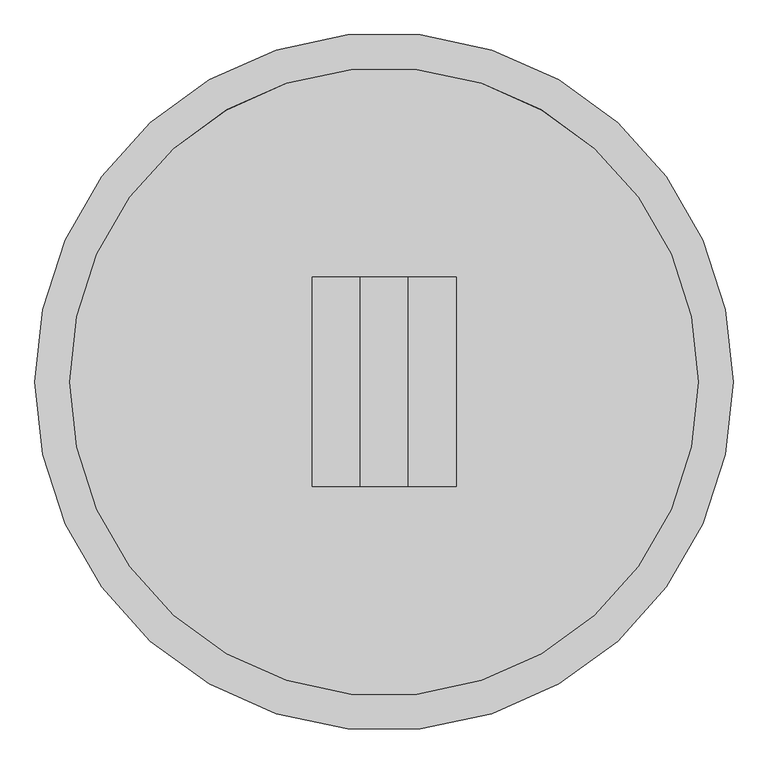
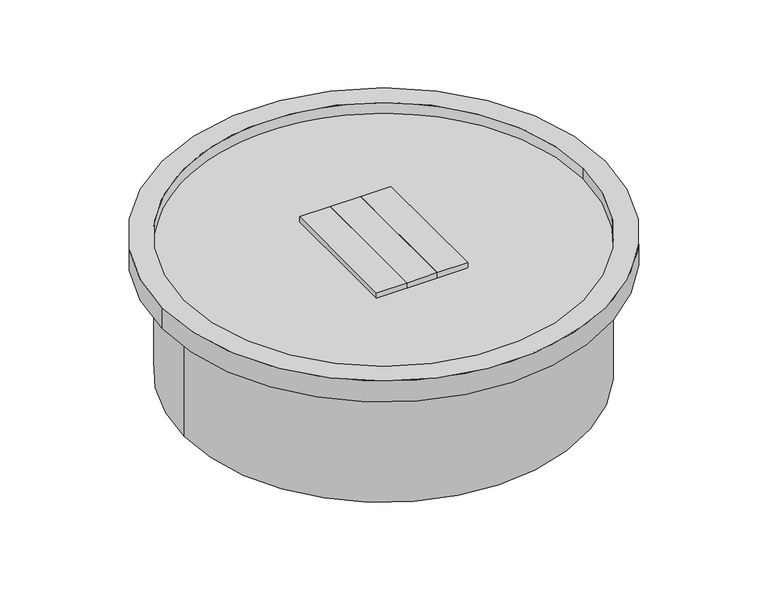
"""IFC4 building model written with IfcOpenShell, lengths in millimetres: proxy geometry."""

from ifc_helpers import new_model, si_unit, point, frame, origin, origin_with_axes, origin_2d, place, context, project, spatial, polyline, circle_curve, trimmed, segment, composite_curve, outline, extrude, source, transform, mapped, element, save


def generic_models_e924cb64(model_context):
    return source(origin(), model_context, "Body", "SweptSolid", [
        extrude(outline(polyline([(34.925, -152.4), (34.925, 152.4), (104.775, 152.4), (104.775, -152.4), (34.925, -152.4)])), frame((0.0, 0.0, 279.4), z_axis=(0.0, 0.0, 1.0), x_axis=(1.0, 0.0, 0.0)), (0.0, 0.0, 1.0), 38.1),
        extrude(outline(polyline([(-34.925, -152.4), (-104.775, -152.4), (-104.775, 152.4), (-34.925, 152.4), (-34.925, -152.4)])), frame((0.0, 0.0, 279.4), z_axis=(0.0, 0.0, 1.0), x_axis=(1.0, 0.0, 0.0)), (0.0, 0.0, 1.0), 38.1),
        extrude(outline(polyline([(-34.925, -152.4), (-34.925, 152.4), (34.925, 152.4), (34.925, -152.4), (-34.925, -152.4)])), frame((0.0, 0.0, 279.4), z_axis=(0.0, 0.0, 1.0), x_axis=(1.0, 0.0, 0.0)), (0.0, 0.0, 1.0), 38.1),
        extrude(outline(composite_curve([segment(trimmed(circle_curve(origin_2d(), 457.2), [point((-457.2, 0.0))], [point((457.2, 0.0))], False, "CARTESIAN"), True, "CONTINUOUS"), segment(trimmed(circle_curve(origin_2d(), 457.2), [point((457.2, 0.0))], [point((-457.2, 0.0))], False, "CARTESIAN"), True, "CONTINUOUS")], self_intersect=False)), frame((0.0, 0.0, 279.4), z_axis=(0.0, 0.0, 1.0), x_axis=(1.0, 0.0, 0.0)), (0.0, 0.0, 1.0), 25.4),
        extrude(outline(composite_curve([segment(trimmed(circle_curve(origin_2d(), 508.0), [point((-508.0, 0.0))], [point((508.0, 0.0))], False, "CARTESIAN"), True, "CONTINUOUS"), segment(trimmed(circle_curve(origin_2d(), 508.0), [point((508.0, 0.0))], [point((-508.0, 0.0))], False, "CARTESIAN"), True, "CONTINUOUS")], self_intersect=False), holes=[composite_curve([segment(trimmed(circle_curve(origin_2d(), 457.2), [point((-457.2, 0.0))], [point((457.2, 0.0))], True, "CARTESIAN"), True, "CONTINUOUS"), segment(trimmed(circle_curve(origin_2d(), 457.2), [point((457.2, 0.0))], [point((-457.2, 0.0))], True, "CARTESIAN"), True, "CONTINUOUS")], self_intersect=False)]), frame((0.0, 0.0, 279.4), z_axis=(0.0, 0.0, 1.0), x_axis=(1.0, 0.0, 0.0)), (0.0, 0.0, 1.0), 50.8),
        extrude(outline(composite_curve([segment(trimmed(circle_curve(origin_2d(), 457.2), [point((-457.2, 0.0))], [point((457.2, 0.0))], False, "CARTESIAN"), True, "CONTINUOUS"), segment(trimmed(circle_curve(origin_2d(), 457.2), [point((457.2, 0.0))], [point((-457.2, 0.0))], False, "CARTESIAN"), True, "CONTINUOUS")], self_intersect=False)), origin_with_axes(), (0.0, 0.0, 1.0), 279.4),
    ])


if __name__ == "__main__":
    model = new_model("IFC4")
    model_context = context("Model", 3, world=origin())
    ifc_project = project(units=[si_unit("LENGTHUNIT", "METRE", prefix="MILLI")], contexts=[model_context])
    site = spatial("IfcSite", under=ifc_project)
    building = spatial("IfcBuilding", under=site)
    placement = place(None, origin())
    generic_models_shape = generic_models_e924cb64(model_context)
    element("IfcBuildingElementProxy", 1, Name="Generic Models", at=placement, inside=building, context=model_context, shape_type="MappedRepresentation", body=[
        mapped(generic_models_shape, transform((0.0, 0.0, 0.0), x_axis=(1.0, 0.0, 0.0), y_axis=(0.0, 1.0, 0.0), z_axis=(0.0, 0.0, 1.0))),
    ])
    save(model, "model.ifc")
